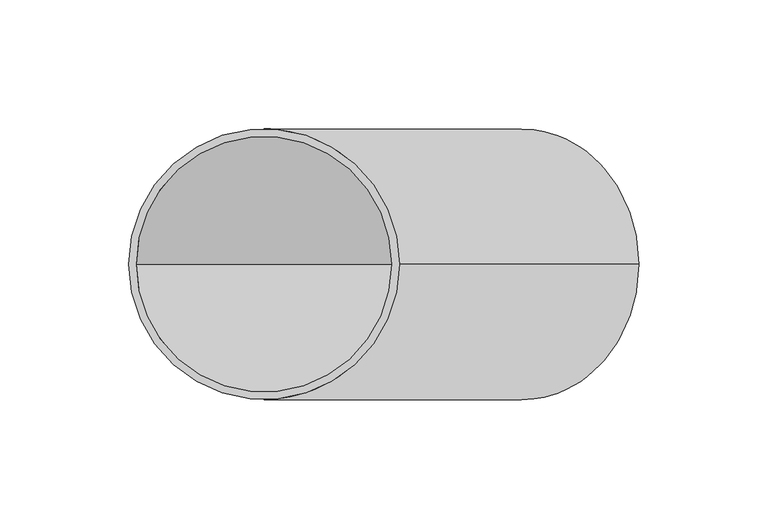
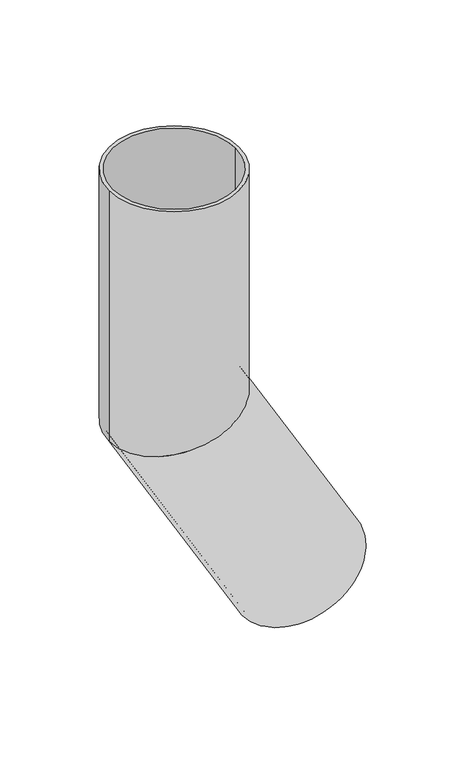
"""IFC4 building model written with IfcOpenShell, lengths in millimetres: beam geometry."""

from ifc_helpers import new_model, si_unit, frame, origin, place, context, project, spatial, polyline, circle_curve, ellipse_curve, source, transform, mapped, element, save
from ifc_brep_helpers import plane_surface, cylinder_surface, revolved_surface, advanced_brep


def beam_8a069d56(model_context):
    return source(origin(), model_context, "Body", "AdvancedBrep", [
        advanced_brep(
        [(145.4663337, 0.0, -346.9550808), (54.5336663, 0.0, -399.4550808), (142.8682575, 0.0, -348.4550808), (57.1317425, 0.0, -397.9550808), (52.5, 0.0, 0.0), (-52.5, 0.0, 0.0), (49.5, 0.0, 0.0), (-49.5, 0.0, 0.0), (49.5, 0.0, -186.736515), (0.0, -49.5, -200.0), (-49.5, 0.0, -213.263485), (0.0, 49.5, -200.0), (52.5, 0.0, -185.9326674), (-52.5, 0.0, -214.0673326)],
        [
            (0, 1, circle_curve(frame((100.0, 0.0, -373.2050808), z_axis=(0.5000000000000633, 0.0, -0.8660254037844022), x_axis=(-0.8660254037844022, 0.0, -0.5000000000000633)), 52.5)),
            (1, 0, circle_curve(frame((100.0, 0.0, -373.2050808), z_axis=(0.5000000000000633, 0.0, -0.8660254037844022), x_axis=(-0.8660254037844022, 0.0, -0.5000000000000633)), 52.5)),
            (2, 3, circle_curve(frame((100.0, 0.0, -373.2050808), z_axis=(-0.5000000000000633, 0.0, 0.8660254037844022), x_axis=(-0.8660254037844022, 0.0, -0.5000000000000633)), 49.5)),
            (3, 2, circle_curve(frame((100.0, 0.0, -373.2050808), z_axis=(-0.5000000000000633, 0.0, 0.8660254037844022), x_axis=(-0.8660254037844022, 0.0, -0.5000000000000633)), 49.5)),
            (4, 5, circle_curve(frame((0.0, 0.0, 0.0), z_axis=(0.0, 0.0, 1.0), x_axis=(-1.0, 0.0, 0.0)), 52.5)),
            (5, 4, circle_curve(frame((0.0, 0.0, 0.0), z_axis=(0.0, 0.0, 1.0), x_axis=(-1.0, 0.0, 0.0)), 52.5)),
            (6, 7, circle_curve(frame((0.0, 0.0, 0.0), z_axis=(0.0, 0.0, -1.0), x_axis=(-1.0, 0.0, 0.0)), 49.5)),
            (7, 6, circle_curve(frame((0.0, 0.0, 0.0), z_axis=(0.0, 0.0, -1.0), x_axis=(-1.0, 0.0, 0.0)), 49.5)),
            (6, 8),
            (8, 9, ellipse_curve(frame((0.0, 0.0, -200.0), z_axis=(0.25881904510255604, 0.0, -0.9659258262890589), x_axis=(0.9659258262890589, 0.0, 0.25881904510255593)), 51.2461709, 49.5)),
            (9, 10, ellipse_curve(frame((0.0, 0.0, -200.0), z_axis=(0.25881904510255604, 0.0, -0.9659258262890589), x_axis=(0.9659258262890589, 0.0, 0.25881904510255593)), 51.2461709, 49.5)),
            (10, 7),
            (10, 11, ellipse_curve(frame((0.0, 0.0, -200.0), z_axis=(0.25881904510255604, 0.0, -0.9659258262890589), x_axis=(0.9659258262890589, 0.0, 0.25881904510255593)), 51.2461709, 49.5)),
            (11, 8, ellipse_curve(frame((0.0, 0.0, -200.0), z_axis=(0.25881904510255604, 0.0, -0.9659258262890589), x_axis=(0.9659258262890589, 0.0, 0.25881904510255593)), 51.2461709, 49.5)),
            (4, 12),
            (12, 13, ellipse_curve(frame((0.0, 0.0, -200.0), z_axis=(-0.25881904510255604, 0.0, 0.9659258262890589), x_axis=(-0.9659258262890589, 0.0, -0.25881904510255593)), 54.3519995, 52.5)),
            (13, 5),
            (13, 12, ellipse_curve(frame((0.0, 0.0, -200.0), z_axis=(-0.25881904510255604, 0.0, 0.9659258262890589), x_axis=(-0.9659258262890589, 0.0, -0.25881904510255593)), 54.3519995, 52.5)),
            (2, 8),
            (10, 3),
            (0, 12),
            (13, 1),
        ],
        [
            plane_surface(frame((100.0, 0.0, -373.2050808), z_axis=(0.5000000000000633, 0.0, -0.8660254037844022), x_axis=(0.0, -1.0, 0.0))),
            plane_surface(frame((0.0, 0.0, 0.0), z_axis=(0.0, 0.0, 1.0), x_axis=(0.0, -1.0, 0.0))),
            revolved_surface(polyline([(-49.5, 0.0, 0.0), (-49.5, 0.0, -213.2634850175004)]), (0.0, 0.0, -200.0), (0.0, 0.0, 1.0)),
            cylinder_surface(frame((0.0, 0.0, -200.0), z_axis=(0.0, 0.0, -1.0), x_axis=(-1.0, 0.0, 0.0)), 52.5),
            revolved_surface(polyline([(-49.50000002965447, 0.0, -213.26348501712098), (57.131742515841474, 0.0, -397.9550808054927)]), (100.0, 0.0, -373.2050808), (-0.5000000000000633, 0.0, 0.8660254037844022)),
            cylinder_surface(frame((100.0, 0.0, -373.2050808), z_axis=(0.5000000000000633, 0.0, -0.8660254037844022), x_axis=(-0.8660254037844022, 0.0, -0.5000000000000633)), 52.5),
        ],
        [
            (0, [[1, 2], [3, 4]]),
            (1, [[5, 6], [7, 8]]),
            (2, [[-7, 9, 10, 11, 12]]),
            (2, [[-8, -12, 13, 14, -9]]),
            (3, [[-5, 15, 16, 17]]),
            (3, [[-6, -17, 18, -15]]),
            (4, [[-3, 19, -14, -13, 20]]),
            (4, [[-4, -20, -11, -10, -19]]),
            (5, [[-1, 21, -18, 22]]),
            (5, [[-2, -22, -16, -21]]),
        ],
    ),
    ])


if __name__ == "__main__":
    model = new_model("IFC4")
    model_context = context("Model", 3, world=origin())
    ifc_project = project(units=[si_unit("LENGTHUNIT", "METRE", prefix="MILLI")], contexts=[model_context])
    site = spatial("IfcSite", under=ifc_project)
    building = spatial("IfcBuilding", under=site)
    placement = place(None, origin())
    beam_shape = beam_8a069d56(model_context)
    element("IfcBeam", 1, at=placement, inside=building, context=model_context, shape_type="MappedRepresentation", body=[
        mapped(beam_shape, transform((0.0, 0.0, 0.0), x_axis=(1.0, 0.0, 0.0), y_axis=(0.0, 1.0, 0.0), z_axis=(0.0, 0.0, 1.0))),
    ])
    save(model, "model.ifc")
